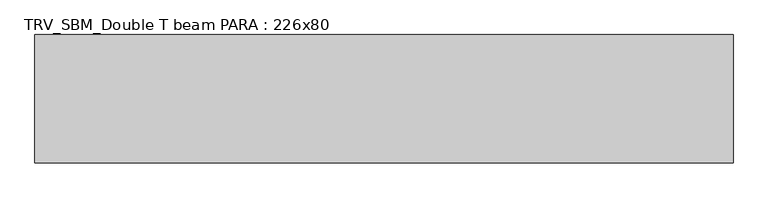
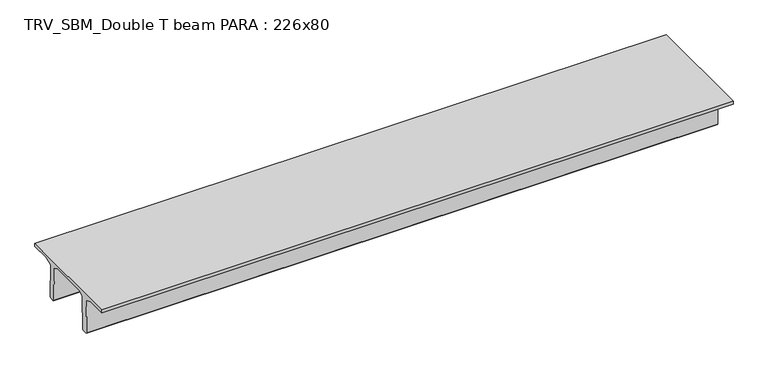
"""IFC4 building model written with IfcOpenShell, lengths in millimetres: beam geometry, TRV_SBM_Double T beam PARA : 226x80."""

import ifcopenshell
import ifcopenshell.guid

model = None  # the IFC model being written
_history = None  # IfcOwnerHistory: only IFC2X3 demands one
_inside = {}  # id of a spatial element -> (the spatial element, [elements in it])
_under = {}  # id of a project, library or spatial element -> (it, [spatial elements below it])
_declared = {}  # id of a project -> (the project, [libraries it declares])
_typed = {}  # id of a type object -> (the type object, [elements of that type])
_made_of = {}  # id of a material, layer set ... -> (it, [elements and type objects made of it])


def new_model(schema):
    """Start an empty IFC model of exactly this schema.

    Asked for "IFC4X3", IfcOpenShell would pick the latest addendum, in which some entities
    have other attributes; the version numbers below select the first issue.
    IFC2X3 requires an IfcOwnerHistory on every rooted entity: one is made here for all.
    """
    global model, _history
    if schema == "IFC4X3":
        model = ifcopenshell.file(schema_version=(4, 3, 0, 0))
    else:
        model = ifcopenshell.file(schema=schema)
    _inside.clear()
    _under.clear()
    _declared.clear()
    _typed.clear()
    _made_of.clear()
    _history = None
    if model.schema == "IFC2X3":
        org = make("IfcOrganization", Name="unknown")
        user = make(
            "IfcPersonAndOrganization",
            ThePerson=make("IfcPerson", FamilyName="unknown"),
            TheOrganization=org,
        )
        app = make(
            "IfcApplication",
            ApplicationDeveloper=org,
            Version="unknown",
            ApplicationFullName="unknown",
            ApplicationIdentifier="unknown",
        )
        _history = make(
            "IfcOwnerHistory",
            OwningUser=user,
            OwningApplication=app,
            ChangeAction="ADDED",
            CreationDate=0,
        )
    return model


def make(cls, **values):
    """One entity of the class cls with the attributes given. An attribute that is None is left unset."""
    return model.create_entity(
        cls, **{name: value for name, value in values.items() if value is not None}
    )


def rooted(cls, **values):
    """An entity with a GlobalId (a new one), such as an element, a storey or a relation."""
    return make(cls, GlobalId=ifcopenshell.guid.new(), OwnerHistory=_history, **values)


def si_unit(unit_type, name, prefix=None):
    """IfcSIUnit, for example si_unit("LENGTHUNIT", "METRE", prefix="MILLI")."""
    return make("IfcSIUnit", UnitType=unit_type, Prefix=prefix, Name=name)


def assignment(units):
    """IfcUnitAssignment: the units of a project."""
    return None if units is None else make("IfcUnitAssignment", Units=units)


def point(xyz):
    """IfcCartesianPoint."""
    return None if xyz is None else make("IfcCartesianPoint", Coordinates=xyz)


def direction(xyz):
    """IfcDirection."""
    return None if xyz is None else make("IfcDirection", DirectionRatios=xyz)


def frame(location, z_axis=None, x_axis=None):
    """IfcAxis2Placement3D, a coordinate frame: its origin and axes. An axis left out is left unset."""
    return make(
        "IfcAxis2Placement3D",
        Location=point(location),
        Axis=direction(z_axis),
        RefDirection=direction(x_axis),
    )


def origin():
    """The frame at (0, 0, 0) with its axes left unset."""
    return frame((0.0, 0.0, 0.0))


def place(relative_to, where):
    """IfcLocalPlacement: puts the frame where relative to a parent placement (None: the world)."""
    return make(
        "IfcLocalPlacement", PlacementRelTo=relative_to, RelativePlacement=where
    )


def context(
    kind, dimensions, precision=None, world=None, true_north=None, identifier=None
):
    """IfcGeometricRepresentationContext, for example the 3D "Model" context."""
    return make(
        "IfcGeometricRepresentationContext",
        ContextIdentifier=identifier,
        ContextType=kind,
        CoordinateSpaceDimension=dimensions,
        Precision=precision,
        WorldCoordinateSystem=world,
        TrueNorth=true_north,
    )


def project(units=None, contexts=None):
    """IfcProject with its units and contexts."""
    return rooted(
        "IfcProject",
        Name="project",
        RepresentationContexts=contexts,
        UnitsInContext=assignment(units),
    )


def spatial(cls, under=None, at=None, **own):
    """A site, building, storey or space (cls), placed at a placement, below another one or the project."""
    s = rooted(cls, ObjectPlacement=at, **own)
    if under is not None:
        _under.setdefault(under.id(), (under, []))[1].append(s)
    return s


def polyline(points):
    """IfcPolyline through the points."""
    return make("IfcPolyline", Points=[point(p) for p in points])


def outline(outer, holes=None, kind="AREA"):
    """IfcArbitraryClosedProfileDef: a profile drawn as a closed curve; with holes, ...WithVoids."""
    if holes is None:
        return make("IfcArbitraryClosedProfileDef", ProfileType=kind, OuterCurve=outer)
    return make(
        "IfcArbitraryProfileDefWithVoids",
        ProfileType=kind,
        OuterCurve=outer,
        InnerCurves=holes,
    )


def extrude(swept, where, along, depth):
    """IfcExtrudedAreaSolid: the profile swept, set in the frame where, extruded along a direction by depth."""
    return make(
        "IfcExtrudedAreaSolid",
        SweptArea=swept,
        Position=where,
        ExtrudedDirection=direction(along),
        Depth=depth,
    )


def shape(context_of_items, identifier, shape_type, items):
    """IfcShapeRepresentation: the items that make up one representation, for example the "Body"."""
    return make(
        "IfcShapeRepresentation",
        ContextOfItems=context_of_items,
        RepresentationIdentifier=identifier,
        RepresentationType=shape_type,
        Items=items,
    )


def source(mapping_origin, context_of_items, identifier, shape_type, items):
    """IfcRepresentationMap: a shape defined once, which mapped items show again and again."""
    return make(
        "IfcRepresentationMap",
        MappingOrigin=mapping_origin,
        MappedRepresentation=shape(context_of_items, identifier, shape_type, items),
    )


def transform(
    local_origin,
    x_axis=None,
    y_axis=None,
    z_axis=None,
    scale=None,
    scale2=None,
    scale3=None,
    uniform=True,
):
    """IfcCartesianTransformationOperator3D, or its non-uniform kind. x_axis, y_axis, z_axis: its Axis1, 2, 3."""
    if uniform:
        return make(
            "IfcCartesianTransformationOperator3D",
            Axis1=direction(x_axis),
            Axis2=direction(y_axis),
            LocalOrigin=point(local_origin),
            Scale=scale,
            Axis3=direction(z_axis),
        )
    return make(
        "IfcCartesianTransformationOperator3DnonUniform",
        Axis1=direction(x_axis),
        Axis2=direction(y_axis),
        LocalOrigin=point(local_origin),
        Scale=scale,
        Axis3=direction(z_axis),
        Scale2=scale2,
        Scale3=scale3,
    )


def mapped(mapping_source, mapping_target):
    """IfcMappedItem: shows the shape of a source again, moved by a transform."""
    return make(
        "IfcMappedItem", MappingSource=mapping_source, MappingTarget=mapping_target
    )


def made_of(thing, what):
    """Note that an element or type object is made of a material, layer set ...; save() writes the relation."""
    if what is not None:
        _made_of.setdefault(what.id(), (what, []))[1].append(thing)
    return thing


def element(
    cls,
    number,
    at=None,
    inside=None,
    cuts=None,
    type_object=None,
    material=None,
    context=None,
    identifier="Body",
    shape_type=None,
    held_by="IfcProductDefinitionShape",
    body=None,
    shapes=None,
    **own,
):
    """One element of the class cls, such as IfcWall. Its Tag is "e" and its number.

    at: its placement. inside: the storey or other place that contains it. cuts: it is an
    opening in that element (IfcRelVoidsElement). A single representation is given by context,
    identifier, shape_type and body (its items); several are given by shapes. held_by: the class
    of the entity that holds the representations. save() writes the other relations.
    """
    e = rooted(cls, Tag="e%d" % number, ObjectPlacement=at, **own)
    if body is not None:
        shapes = [shape(context, identifier, shape_type, body)]
    if shapes is not None:
        e.Representation = make(held_by, Representations=shapes)
    if inside is not None:
        _inside.setdefault(inside.id(), (inside, []))[1].append(e)
    if cuts is not None:
        rooted(
            "IfcRelVoidsElement", RelatingBuildingElement=cuts, RelatedOpeningElement=e
        )
    if type_object is not None:
        _typed.setdefault(type_object.id(), (type_object, []))[1].append(e)
    return made_of(e, material)


def aggregate(whole, parts):
    """IfcRelAggregates: a whole, such as a stair, and the parts it consists of."""
    return rooted("IfcRelAggregates", RelatingObject=whole, RelatedObjects=parts)


def save(model, path):
    """Write the relations noted so far, then the file.

    IfcRelAggregates (storeys below a building ...), IfcRelContainedInSpatialStructure (elements
    in a storey), IfcRelDefinesByType, IfcRelAssociatesMaterial and IfcRelDeclares: one each for
    every whole, place, type object, material and project.
    """
    for whole, parts in _under.values():
        aggregate(whole, parts)
    for where, things in _inside.values():
        rooted(
            "IfcRelContainedInSpatialStructure",
            RelatedElements=things,
            RelatingStructure=where,
        )
    for kind, things in _typed.values():
        rooted("IfcRelDefinesByType", RelatedObjects=things, RelatingType=kind)
    for what, things in _made_of.values():
        rooted("IfcRelAssociatesMaterial", RelatedObjects=things, RelatingMaterial=what)
    for by, libraries in _declared.values():
        rooted("IfcRelDeclares", RelatingContext=by, RelatedDefinitions=libraries)
    model.write(path)


def trv_sbm_double_t_beam_para_226x80_06655c25(model_context):
    return source(origin(), model_context, "Body", "SweptSolid", [
        extrude(outline(polyline([(352.1399239, 205.988519), (-382.1399239, 205.988519), (-485.0, 144.18395), (-501.9262559, -520.5206011), (-521.4056548, -540.0), (-611.4056548, -540.0), (-631.9887932, -520.5206011), (-615.2025683, 140.6523122), (-776.9153545, 205.988519), (-1145.0, 205.988519), (-1145.0, 260.0), (1115.0, 260.0), (1115.0, 205.988519), (746.9153545, 205.988519), (585.2025683, 140.6523122), (601.9887932, -520.5206011), (581.4056548, -540.0), (491.4056548, -540.0), (471.9262559, -520.5206011), (455.0, 144.18395), (352.1399239, 205.988519)])), frame((-6341.1348916, 0.0, 0.0), z_axis=(1.0, 0.0, 0.0), x_axis=(0.0, 1.0, 0.0)), (0.0, 0.0, 1.0), 12302.0411601),
    ])


if __name__ == "__main__":
    model = new_model("IFC4")
    model_context = context("Model", 3, world=origin())
    ifc_project = project(units=[si_unit("LENGTHUNIT", "METRE", prefix="MILLI")], contexts=[model_context])
    site = spatial("IfcSite", under=ifc_project)
    building = spatial("IfcBuilding", under=site)
    placement = place(None, origin())
    trv_sbm_double_t_beam_para_226x80_shape = trv_sbm_double_t_beam_para_226x80_06655c25(model_context)
    element("IfcBeam", 1, ObjectType="TRV_SBM_Double T beam PARA : 226x80", at=placement, inside=building, context=model_context, shape_type="MappedRepresentation", body=[
        mapped(trv_sbm_double_t_beam_para_226x80_shape, transform((0.0, 0.0, 0.0), x_axis=(1.0, 0.0, 0.0), y_axis=(0.0, 1.0, 0.0), z_axis=(0.0, 0.0, 1.0))),
    ])
    save(model, "model.ifc")
